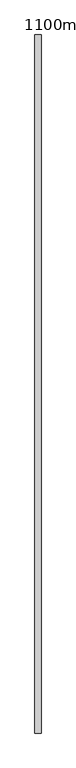
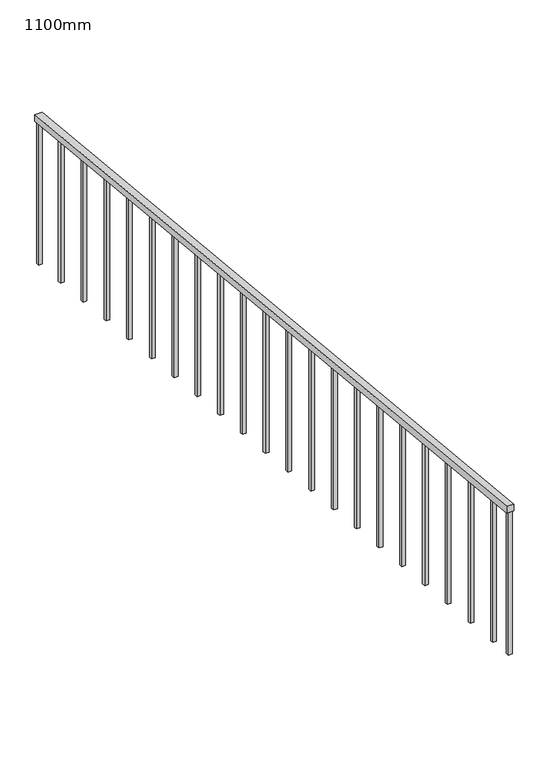
"""IFC4 building model written with IfcOpenShell, lengths in millimetres: railing geometry, 1100mm."""

import ifcopenshell
import ifcopenshell.guid

model = None  # the IFC model being written
_history = None  # IfcOwnerHistory: only IFC2X3 demands one
_inside = {}  # id of a spatial element -> (the spatial element, [elements in it])
_under = {}  # id of a project, library or spatial element -> (it, [spatial elements below it])
_declared = {}  # id of a project -> (the project, [libraries it declares])
_typed = {}  # id of a type object -> (the type object, [elements of that type])
_made_of = {}  # id of a material, layer set ... -> (it, [elements and type objects made of it])


def new_model(schema):
    """Start an empty IFC model of exactly this schema.

    Asked for "IFC4X3", IfcOpenShell would pick the latest addendum, in which some entities
    have other attributes; the version numbers below select the first issue.
    IFC2X3 requires an IfcOwnerHistory on every rooted entity: one is made here for all.
    """
    global model, _history
    if schema == "IFC4X3":
        model = ifcopenshell.file(schema_version=(4, 3, 0, 0))
    else:
        model = ifcopenshell.file(schema=schema)
    _inside.clear()
    _under.clear()
    _declared.clear()
    _typed.clear()
    _made_of.clear()
    _history = None
    if model.schema == "IFC2X3":
        org = make("IfcOrganization", Name="unknown")
        user = make(
            "IfcPersonAndOrganization",
            ThePerson=make("IfcPerson", FamilyName="unknown"),
            TheOrganization=org,
        )
        app = make(
            "IfcApplication",
            ApplicationDeveloper=org,
            Version="unknown",
            ApplicationFullName="unknown",
            ApplicationIdentifier="unknown",
        )
        _history = make(
            "IfcOwnerHistory",
            OwningUser=user,
            OwningApplication=app,
            ChangeAction="ADDED",
            CreationDate=0,
        )
    return model


def make(cls, **values):
    """One entity of the class cls with the attributes given. An attribute that is None is left unset."""
    return model.create_entity(
        cls, **{name: value for name, value in values.items() if value is not None}
    )


def rooted(cls, **values):
    """An entity with a GlobalId (a new one), such as an element, a storey or a relation."""
    return make(cls, GlobalId=ifcopenshell.guid.new(), OwnerHistory=_history, **values)


def si_unit(unit_type, name, prefix=None):
    """IfcSIUnit, for example si_unit("LENGTHUNIT", "METRE", prefix="MILLI")."""
    return make("IfcSIUnit", UnitType=unit_type, Prefix=prefix, Name=name)


def assignment(units):
    """IfcUnitAssignment: the units of a project."""
    return None if units is None else make("IfcUnitAssignment", Units=units)


def point(xyz):
    """IfcCartesianPoint."""
    return None if xyz is None else make("IfcCartesianPoint", Coordinates=xyz)


def direction(xyz):
    """IfcDirection."""
    return None if xyz is None else make("IfcDirection", DirectionRatios=xyz)


def frame(location, z_axis=None, x_axis=None):
    """IfcAxis2Placement3D, a coordinate frame: its origin and axes. An axis left out is left unset."""
    return make(
        "IfcAxis2Placement3D",
        Location=point(location),
        Axis=direction(z_axis),
        RefDirection=direction(x_axis),
    )


def origin():
    """The frame at (0, 0, 0) with its axes left unset."""
    return frame((0.0, 0.0, 0.0))


def place(relative_to, where):
    """IfcLocalPlacement: puts the frame where relative to a parent placement (None: the world)."""
    return make(
        "IfcLocalPlacement", PlacementRelTo=relative_to, RelativePlacement=where
    )


def context(
    kind, dimensions, precision=None, world=None, true_north=None, identifier=None
):
    """IfcGeometricRepresentationContext, for example the 3D "Model" context."""
    return make(
        "IfcGeometricRepresentationContext",
        ContextIdentifier=identifier,
        ContextType=kind,
        CoordinateSpaceDimension=dimensions,
        Precision=precision,
        WorldCoordinateSystem=world,
        TrueNorth=true_north,
    )


def project(units=None, contexts=None):
    """IfcProject with its units and contexts."""
    return rooted(
        "IfcProject",
        Name="project",
        RepresentationContexts=contexts,
        UnitsInContext=assignment(units),
    )


def spatial(cls, under=None, at=None, **own):
    """A site, building, storey or space (cls), placed at a placement, below another one or the project."""
    s = rooted(cls, ObjectPlacement=at, **own)
    if under is not None:
        _under.setdefault(under.id(), (under, []))[1].append(s)
    return s


def polyline(points):
    """IfcPolyline through the points."""
    return make("IfcPolyline", Points=[point(p) for p in points])


def outline(outer, holes=None, kind="AREA"):
    """IfcArbitraryClosedProfileDef: a profile drawn as a closed curve; with holes, ...WithVoids."""
    if holes is None:
        return make("IfcArbitraryClosedProfileDef", ProfileType=kind, OuterCurve=outer)
    return make(
        "IfcArbitraryProfileDefWithVoids",
        ProfileType=kind,
        OuterCurve=outer,
        InnerCurves=holes,
    )


def extrude(swept, where, along, depth):
    """IfcExtrudedAreaSolid: the profile swept, set in the frame where, extruded along a direction by depth."""
    return make(
        "IfcExtrudedAreaSolid",
        SweptArea=swept,
        Position=where,
        ExtrudedDirection=direction(along),
        Depth=depth,
    )


def shape(context_of_items, identifier, shape_type, items):
    """IfcShapeRepresentation: the items that make up one representation, for example the "Body"."""
    return make(
        "IfcShapeRepresentation",
        ContextOfItems=context_of_items,
        RepresentationIdentifier=identifier,
        RepresentationType=shape_type,
        Items=items,
    )


def source(mapping_origin, context_of_items, identifier, shape_type, items):
    """IfcRepresentationMap: a shape defined once, which mapped items show again and again."""
    return make(
        "IfcRepresentationMap",
        MappingOrigin=mapping_origin,
        MappedRepresentation=shape(context_of_items, identifier, shape_type, items),
    )


def transform(
    local_origin,
    x_axis=None,
    y_axis=None,
    z_axis=None,
    scale=None,
    scale2=None,
    scale3=None,
    uniform=True,
):
    """IfcCartesianTransformationOperator3D, or its non-uniform kind. x_axis, y_axis, z_axis: its Axis1, 2, 3."""
    if uniform:
        return make(
            "IfcCartesianTransformationOperator3D",
            Axis1=direction(x_axis),
            Axis2=direction(y_axis),
            LocalOrigin=point(local_origin),
            Scale=scale,
            Axis3=direction(z_axis),
        )
    return make(
        "IfcCartesianTransformationOperator3DnonUniform",
        Axis1=direction(x_axis),
        Axis2=direction(y_axis),
        LocalOrigin=point(local_origin),
        Scale=scale,
        Axis3=direction(z_axis),
        Scale2=scale2,
        Scale3=scale3,
    )


def mapped(mapping_source, mapping_target):
    """IfcMappedItem: shows the shape of a source again, moved by a transform."""
    return make(
        "IfcMappedItem", MappingSource=mapping_source, MappingTarget=mapping_target
    )


def made_of(thing, what):
    """Note that an element or type object is made of a material, layer set ...; save() writes the relation."""
    if what is not None:
        _made_of.setdefault(what.id(), (what, []))[1].append(thing)
    return thing


def element(
    cls,
    number,
    at=None,
    inside=None,
    cuts=None,
    type_object=None,
    material=None,
    context=None,
    identifier="Body",
    shape_type=None,
    held_by="IfcProductDefinitionShape",
    body=None,
    shapes=None,
    **own,
):
    """One element of the class cls, such as IfcWall. Its Tag is "e" and its number.

    at: its placement. inside: the storey or other place that contains it. cuts: it is an
    opening in that element (IfcRelVoidsElement). A single representation is given by context,
    identifier, shape_type and body (its items); several are given by shapes. held_by: the class
    of the entity that holds the representations. save() writes the other relations.
    """
    e = rooted(cls, Tag="e%d" % number, ObjectPlacement=at, **own)
    if body is not None:
        shapes = [shape(context, identifier, shape_type, body)]
    if shapes is not None:
        e.Representation = make(held_by, Representations=shapes)
    if inside is not None:
        _inside.setdefault(inside.id(), (inside, []))[1].append(e)
    if cuts is not None:
        rooted(
            "IfcRelVoidsElement", RelatingBuildingElement=cuts, RelatedOpeningElement=e
        )
    if type_object is not None:
        _typed.setdefault(type_object.id(), (type_object, []))[1].append(e)
    return made_of(e, material)


def aggregate(whole, parts):
    """IfcRelAggregates: a whole, such as a stair, and the parts it consists of."""
    return rooted("IfcRelAggregates", RelatingObject=whole, RelatedObjects=parts)


def save(model, path):
    """Write the relations noted so far, then the file.

    IfcRelAggregates (storeys below a building ...), IfcRelContainedInSpatialStructure (elements
    in a storey), IfcRelDefinesByType, IfcRelAssociatesMaterial and IfcRelDeclares: one each for
    every whole, place, type object, material and project.
    """
    for whole, parts in _under.values():
        aggregate(whole, parts)
    for where, things in _inside.values():
        rooted(
            "IfcRelContainedInSpatialStructure",
            RelatedElements=things,
            RelatingStructure=where,
        )
    for kind, things in _typed.values():
        rooted("IfcRelDefinesByType", RelatedObjects=things, RelatingType=kind)
    for what, things in _made_of.values():
        rooted("IfcRelAssociatesMaterial", RelatedObjects=things, RelatingMaterial=what)
    for by, libraries in _declared.values():
        rooted("IfcRelDeclares", RelatingContext=by, RelatedDefinitions=libraries)
    model.write(path)


def railing_1100mm_fcd5de41(model_context):
    return source(origin(), model_context, "Body", "SweptSolid", [
        extrude(outline(polyline([(-101823.1605573, 1100.0), (-101823.1605573, 1049.7506219), (-107523.1605573, 1619.7506219), (-107523.1605573, 1670.0), (-101823.1605573, 1100.0)])), frame((-310170.1057121, 0.0, 0.0), z_axis=(1.0, 0.0, 0.0), x_axis=(0.0, 1.0, 0.0)), (0.0, 0.0, 1.0), 50.0),
        extrude(outline(polyline([(-107310.6605573, 548.75), (-107335.6605573, 551.25), (-107335.6605573, 1601.0006219), (-107310.6605573, 1598.5006219), (-107310.6605573, 548.75)])), frame((-310157.6057121, 0.0, 0.0), z_axis=(1.0, 0.0, 0.0), x_axis=(0.0, 1.0, 0.0)), (0.0, 0.0, 1.0), 25.0),
        extrude(outline(polyline([(-107035.6605573, 521.25), (-107060.6605573, 523.75), (-107060.6605573, 1573.5006219), (-107035.6605573, 1571.0006219), (-107035.6605573, 521.25)])), frame((-310157.6057121, 0.0, 0.0), z_axis=(1.0, 0.0, 0.0), x_axis=(0.0, 1.0, 0.0)), (0.0, 0.0, 1.0), 25.0),
        extrude(outline(polyline([(-106760.6605573, 493.75), (-106785.6605573, 496.25), (-106785.6605573, 1546.0006219), (-106760.6605573, 1543.5006219), (-106760.6605573, 493.75)])), frame((-310157.6057121, 0.0, 0.0), z_axis=(1.0, 0.0, 0.0), x_axis=(0.0, 1.0, 0.0)), (0.0, 0.0, 1.0), 25.0),
        extrude(outline(polyline([(-106485.6605573, 466.25), (-106510.6605573, 468.75), (-106510.6605573, 1518.5006219), (-106485.6605573, 1516.0006219), (-106485.6605573, 466.25)])), frame((-310157.6057121, 0.0, 0.0), z_axis=(1.0, 0.0, 0.0), x_axis=(0.0, 1.0, 0.0)), (0.0, 0.0, 1.0), 25.0),
        extrude(outline(polyline([(-106210.6605573, 438.75), (-106235.6605573, 441.25), (-106235.6605573, 1491.0006219), (-106210.6605573, 1488.5006219), (-106210.6605573, 438.75)])), frame((-310157.6057121, 0.0, 0.0), z_axis=(1.0, 0.0, 0.0), x_axis=(0.0, 1.0, 0.0)), (0.0, 0.0, 1.0), 25.0),
        extrude(outline(polyline([(-105935.6605573, 411.25), (-105960.6605573, 413.75), (-105960.6605573, 1463.5006219), (-105935.6605573, 1461.0006219), (-105935.6605573, 411.25)])), frame((-310157.6057121, 0.0, 0.0), z_axis=(1.0, 0.0, 0.0), x_axis=(0.0, 1.0, 0.0)), (0.0, 0.0, 1.0), 25.0),
        extrude(outline(polyline([(-105660.6605573, 383.75), (-105685.6605573, 386.25), (-105685.6605573, 1436.0006219), (-105660.6605573, 1433.5006219), (-105660.6605573, 383.75)])), frame((-310157.6057121, 0.0, 0.0), z_axis=(1.0, 0.0, 0.0), x_axis=(0.0, 1.0, 0.0)), (0.0, 0.0, 1.0), 25.0),
        extrude(outline(polyline([(-105385.6605573, 356.25), (-105410.6605573, 358.75), (-105410.6605573, 1408.5006219), (-105385.6605573, 1406.0006219), (-105385.6605573, 356.25)])), frame((-310157.6057121, 0.0, 0.0), z_axis=(1.0, 0.0, 0.0), x_axis=(0.0, 1.0, 0.0)), (0.0, 0.0, 1.0), 25.0),
        extrude(outline(polyline([(-105110.6605573, 328.75), (-105135.6605573, 331.25), (-105135.6605573, 1381.0006219), (-105110.6605573, 1378.5006219), (-105110.6605573, 328.75)])), frame((-310157.6057121, 0.0, 0.0), z_axis=(1.0, 0.0, 0.0), x_axis=(0.0, 1.0, 0.0)), (0.0, 0.0, 1.0), 25.0),
        extrude(outline(polyline([(-104835.6605573, 301.25), (-104860.6605573, 303.75), (-104860.6605573, 1353.5006219), (-104835.6605573, 1351.0006219), (-104835.6605573, 301.25)])), frame((-310157.6057121, 0.0, 0.0), z_axis=(1.0, 0.0, 0.0), x_axis=(0.0, 1.0, 0.0)), (0.0, 0.0, 1.0), 25.0),
        extrude(outline(polyline([(-104560.6605573, 273.75), (-104585.6605573, 276.25), (-104585.6605573, 1326.0006219), (-104560.6605573, 1323.5006219), (-104560.6605573, 273.75)])), frame((-310157.6057121, 0.0, 0.0), z_axis=(1.0, 0.0, 0.0), x_axis=(0.0, 1.0, 0.0)), (0.0, 0.0, 1.0), 25.0),
        extrude(outline(polyline([(-104285.6605573, 246.25), (-104310.6605573, 248.75), (-104310.6605573, 1298.5006219), (-104285.6605573, 1296.0006219), (-104285.6605573, 246.25)])), frame((-310157.6057121, 0.0, 0.0), z_axis=(1.0, 0.0, 0.0), x_axis=(0.0, 1.0, 0.0)), (0.0, 0.0, 1.0), 25.0),
        extrude(outline(polyline([(-104010.6605573, 218.75), (-104035.6605573, 221.25), (-104035.6605573, 1271.0006219), (-104010.6605573, 1268.5006219), (-104010.6605573, 218.75)])), frame((-310157.6057121, 0.0, 0.0), z_axis=(1.0, 0.0, 0.0), x_axis=(0.0, 1.0, 0.0)), (0.0, 0.0, 1.0), 25.0),
        extrude(outline(polyline([(-103735.6605573, 191.25), (-103760.6605573, 193.75), (-103760.6605573, 1243.5006219), (-103735.6605573, 1241.0006219), (-103735.6605573, 191.25)])), frame((-310157.6057121, 0.0, 0.0), z_axis=(1.0, 0.0, 0.0), x_axis=(0.0, 1.0, 0.0)), (0.0, 0.0, 1.0), 25.0),
        extrude(outline(polyline([(-103460.6605573, 163.75), (-103485.6605573, 166.25), (-103485.6605573, 1216.0006219), (-103460.6605573, 1213.5006219), (-103460.6605573, 163.75)])), frame((-310157.6057121, 0.0, 0.0), z_axis=(1.0, 0.0, 0.0), x_axis=(0.0, 1.0, 0.0)), (0.0, 0.0, 1.0), 25.0),
        extrude(outline(polyline([(-103185.6605573, 136.25), (-103210.6605573, 138.75), (-103210.6605573, 1188.5006219), (-103185.6605573, 1186.0006219), (-103185.6605573, 136.25)])), frame((-310157.6057121, 0.0, 0.0), z_axis=(1.0, 0.0, 0.0), x_axis=(0.0, 1.0, 0.0)), (0.0, 0.0, 1.0), 25.0),
        extrude(outline(polyline([(-102910.6605573, 108.75), (-102935.6605573, 111.25), (-102935.6605573, 1161.0006219), (-102910.6605573, 1158.5006219), (-102910.6605573, 108.75)])), frame((-310157.6057121, 0.0, 0.0), z_axis=(1.0, 0.0, 0.0), x_axis=(0.0, 1.0, 0.0)), (0.0, 0.0, 1.0), 25.0),
        extrude(outline(polyline([(-102635.6605573, 81.25), (-102660.6605573, 83.75), (-102660.6605573, 1133.5006219), (-102635.6605573, 1131.0006219), (-102635.6605573, 81.25)])), frame((-310157.6057121, 0.0, 0.0), z_axis=(1.0, 0.0, 0.0), x_axis=(0.0, 1.0, 0.0)), (0.0, 0.0, 1.0), 25.0),
        extrude(outline(polyline([(-102360.6605573, 53.75), (-102385.6605573, 56.25), (-102385.6605573, 1106.0006219), (-102360.6605573, 1103.5006219), (-102360.6605573, 53.75)])), frame((-310157.6057121, 0.0, 0.0), z_axis=(1.0, 0.0, 0.0), x_axis=(0.0, 1.0, 0.0)), (0.0, 0.0, 1.0), 25.0),
        extrude(outline(polyline([(-102085.6605573, 26.25), (-102110.6605573, 28.75), (-102110.6605573, 1078.5006219), (-102085.6605573, 1076.0006219), (-102085.6605573, 26.25)])), frame((-310157.6057121, 0.0, 0.0), z_axis=(1.0, 0.0, 0.0), x_axis=(0.0, 1.0, 0.0)), (0.0, 0.0, 1.0), 25.0),
        extrude(outline(polyline([(-107498.1605573, 567.5), (-107523.1605573, 570.0), (-107523.1605573, 1619.7506219), (-107498.1605573, 1617.2506219), (-107498.1605573, 567.5)])), frame((-310157.6057121, 0.0, 0.0), z_axis=(1.0, 0.0, 0.0), x_axis=(0.0, 1.0, 0.0)), (0.0, 0.0, 1.0), 25.0),
        extrude(outline(polyline([(-101823.1605573, 0.0), (-101848.1605573, 2.5), (-101848.1605573, 1052.2506219), (-101823.1605573, 1049.7506219), (-101823.1605573, 0.0)])), frame((-310157.6057121, 0.0, 0.0), z_axis=(1.0, 0.0, 0.0), x_axis=(0.0, 1.0, 0.0)), (0.0, 0.0, 1.0), 25.0),
    ])


if __name__ == "__main__":
    model = new_model("IFC4")
    model_context = context("Model", 3, world=origin())
    ifc_project = project(units=[si_unit("LENGTHUNIT", "METRE", prefix="MILLI")], contexts=[model_context])
    site = spatial("IfcSite", under=ifc_project)
    building = spatial("IfcBuilding", under=site)
    placement = place(None, origin())
    railing_1100mm_shape = railing_1100mm_fcd5de41(model_context)
    element("IfcRailing", 1, ObjectType="1100mm", at=placement, inside=building, context=model_context, shape_type="MappedRepresentation", body=[
        mapped(railing_1100mm_shape, transform((0.0, 0.0, 0.0), x_axis=(1.0, 0.0, 0.0), y_axis=(0.0, 1.0, 0.0), z_axis=(0.0, 0.0, 1.0))),
    ])
    save(model, "model.ifc")
